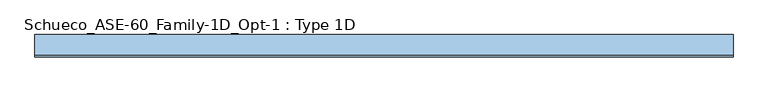
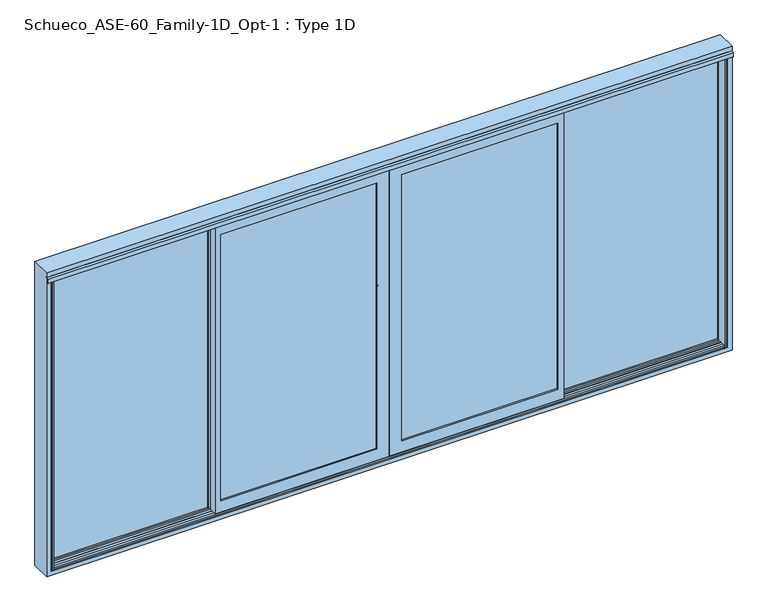
"""IFC4 building model written with IfcOpenShell, lengths in millimetres: window geometry, Schueco_ASE-60_Family-1D_Opt-1 : Type 1D."""

from ifc_helpers import new_model, si_unit, point, frame, frame_2d, origin, place, context, project, spatial, polyline, circle_curve, trimmed, segment, composite_curve, outline, extrude, faceted_brep, source, transform, mapped, element, save
from ifc_brep_helpers import plane_surface, cylinder_surface, revolved_surface, advanced_brep


def schueco_ase_60_family_1d_opt_1_type_1d_c7d129a0(model_context):
    return source(origin(), model_context, "Body", "SolidModel", [
        advanced_brep(
        [(-30.25, 41.999944, 999.005052), (-54.25, 41.999944, 999.005052), (-54.25, 41.999944, 1224.2360009), (-30.25, 41.999944, 1224.2360009), (-30.25, -6.000056, 999.005052), (-54.25, -6.000056, 999.005052), (-30.25, 29.999944, 999.005052), (-54.25, 29.999944, 999.005052), (-54.25, 29.999944, 1214.6494011), (-54.25, 22.649284, 1222.000061), (-54.25, 1.999944, 1222.000061), (-54.25, -5.6e-05, 1224.000061), (-54.25, -5.6e-05, 1235.000061), (-54.25, 1.999944, 1237.000061), (-54.25, 29.2358839, 1237.000061), (-54.25, 30.6500975, 1236.4142746), (-54.25, 41.4141576, 1225.6502145), (-30.25, 41.4141576, 1225.6502145), (-30.25, 30.6500975, 1236.4142746), (-30.25, 29.2358839, 1237.000061), (-30.25, 1.999944, 1237.000061), (-30.25, -5.6e-05, 1235.000061), (-30.25, -5.6e-05, 1224.000061), (-30.25, 1.999944, 1222.000061), (-30.25, 22.649284, 1222.000061), (-30.25, 29.999944, 1214.6494011)],
        [
            (0, 1, circle_curve(frame((-42.25, 41.999944, 999.005052), z_axis=(0.0, 1.0, 0.0), x_axis=(-1.0000000000000009, 0.0, 0.0)), 12.0)),
            (1, 2),
            (2, 3),
            (3, 0),
            (4, 5, circle_curve(frame((-42.25, -6.000056, 999.005052), z_axis=(0.0, -1.0, 0.0), x_axis=(-1.0000000000000009, 0.0, 0.0)), 12.0)),
            (5, 4, circle_curve(frame((-42.25, -6.000056, 999.005052), z_axis=(0.0, -1.0, 0.0), x_axis=(-1.0000000000000009, 0.0, 0.0)), 12.0)),
            (0, 6),
            (6, 4),
            (5, 7),
            (7, 1),
            (6, 7, circle_curve(frame((-42.25, 29.999944, 999.005052), z_axis=(0.0, -1.0, 0.0), x_axis=(-1.0000000000000009, 0.0, 0.0)), 12.0)),
            (7, 8),
            (8, 9, circle_curve(frame((-54.25, 22.649284, 1214.6494011), z_axis=(1.0, 0.0, 0.0), x_axis=(0.0, 0.0, -1.0)), 7.35066)),
            (9, 10),
            (10, 11, circle_curve(frame((-54.25, 1.999944, 1224.000061), z_axis=(-1.0, 0.0, 0.0), x_axis=(0.0, 0.0, -1.0)), 2.0)),
            (11, 12),
            (12, 13, circle_curve(frame((-54.25, 1.999944, 1235.000061), z_axis=(-1.0, 0.0, 0.0), x_axis=(0.0, 0.0, -1.0)), 2.0)),
            (13, 14),
            (14, 15, circle_curve(frame((-54.25, 29.2358839, 1235.000061), z_axis=(-1.0, 0.0, 0.0), x_axis=(0.0, 0.0, -1.0)), 2.0)),
            (15, 16),
            (16, 2, circle_curve(frame((-54.25, 39.999944, 1224.2360009), z_axis=(-1.0, 0.0, 0.0), x_axis=(0.0, 0.0, -1.0)), 2.0)),
            (3, 17, circle_curve(frame((-30.25, 39.999944, 1224.2360009), z_axis=(1.0, 0.0, 0.0), x_axis=(0.0, 0.0, -1.0)), 2.0)),
            (17, 18),
            (18, 19, circle_curve(frame((-30.25, 29.2358839, 1235.000061), z_axis=(1.0, 0.0, 0.0), x_axis=(0.0, 0.0, -1.0)), 2.0)),
            (19, 20),
            (20, 21, circle_curve(frame((-30.25, 1.999944, 1235.000061), z_axis=(1.0, 0.0, 0.0), x_axis=(0.0, 0.0, -1.0)), 2.0)),
            (21, 22),
            (22, 23, circle_curve(frame((-30.25, 1.999944, 1224.000061), z_axis=(1.0, 0.0, 0.0), x_axis=(0.0, 0.0, -1.0)), 2.0)),
            (23, 24),
            (24, 25, circle_curve(frame((-30.25, 22.649284, 1214.6494011), z_axis=(-1.0, 0.0, 0.0), x_axis=(0.0, 0.0, -1.0)), 7.35066)),
            (25, 6),
            (25, 8),
            (24, 9),
            (23, 10),
            (22, 11),
            (21, 12),
            (20, 13),
            (19, 14),
            (18, 15),
            (17, 16),
        ],
        [
            plane_surface(frame((-54.25, 41.999944, 999.005052), z_axis=(0.0, 1.0, 0.0), x_axis=(0.0, 0.0, 1.0))),
            plane_surface(frame((-54.25, -6.000056, 999.005052), z_axis=(0.0, -1.0, 0.0), x_axis=(0.0, 0.0, -1.0))),
            cylinder_surface(frame((-42.25, -6.000056, 999.005052), z_axis=(0.0, 1.0000000000000009, 0.0), x_axis=(-1.0000000000000009, 0.0, 0.0)), 12.0),
            plane_surface(frame((-54.25, 41.999944, 1004.7503433), z_axis=(-1.0, 0.0, 0.0), x_axis=(0.0, 0.0, -1.0))),
            plane_surface(frame((-30.25, 41.999944, 1004.7503433), z_axis=(1.0, 0.0, 0.0), x_axis=(0.0, 0.0, 1.0))),
            plane_surface(frame((-54.25, 29.999944, 999.0), z_axis=(0.0, -1.0, 0.0), x_axis=(1.0, 0.0, 0.0))),
            revolved_surface(polyline([(-30.25, 22.649284, 1207.2987411), (-54.25000000000004, 22.649284, 1207.2987411)]), (-30.25, 22.649284, 1214.6494011), (1.0000000000000009, 0.0, 0.0)),
            plane_surface(frame((-54.25, 22.649284, 1222.000061), z_axis=(0.0, 0.0, -1.0), x_axis=(1.0, 0.0, 0.0))),
            cylinder_surface(frame((-30.25, 1.999944, 1224.000061), z_axis=(-1.0000000000000009, 0.0, 0.0), x_axis=(0.0, 0.0, -1.0)), 2.0),
            plane_surface(frame((-54.25, -5.6e-05, 1224.000061), z_axis=(0.0, -1.0, 0.0), x_axis=(1.0, 0.0, 0.0))),
            cylinder_surface(frame((-30.25, 1.999944, 1235.000061), z_axis=(-1.0000000000000009, 0.0, 0.0), x_axis=(0.0, 0.0, -1.0)), 2.0),
            plane_surface(frame((-54.25, 1.999944, 1237.000061), z_axis=(0.0, 0.0, 1.0), x_axis=(1.0, 0.0, 0.0))),
            cylinder_surface(frame((-30.25, 29.2358839, 1235.000061), z_axis=(-1.0000000000000009, 0.0, 0.0), x_axis=(0.0, 0.0, -1.0)), 2.0),
            plane_surface(frame((-54.25, 30.6500975, 1236.4142746), z_axis=(0.0, 0.7071067811865419, 0.7071067811865531), x_axis=(1.0, 0.0, 0.0))),
            cylinder_surface(frame((-30.25, 39.999944, 1224.2360009), z_axis=(-1.0000000000000009, 0.0, 0.0), x_axis=(0.0, 0.0, -1.0)), 2.0),
        ],
        [
            (0, [[1, 2, 3, 4]]),
            (1, [[5, 6]]),
            (2, [[-1, 7, 8, -6, 9, 10]]),
            (2, [[-5, -8, 11, -9]]),
            (3, [[-2, -10, 12, 13, 14, 15, 16, 17, 18, 19, 20, 21]]),
            (4, [[22, 23, 24, 25, 26, 27, 28, 29, 30, 31, -7, -4]]),
            (5, [[-12, -11, -31, 32]]),
            (6, [[-13, -32, -30, 33]]),
            (7, [[-14, -33, -29, 34]]),
            (8, [[-15, -34, -28, 35]]),
            (9, [[-16, -35, -27, 36]]),
            (10, [[-17, -36, -26, 37]]),
            (11, [[-18, -37, -25, 38]]),
            (12, [[-19, -38, -24, 39]]),
            (13, [[-20, -39, -23, 40]]),
            (14, [[-21, -40, -22, -3]]),
        ],
    ),
        extrude(outline(composite_curve([segment(polyline([(917.2823932, -25.5), (1044.0099288, -25.5)]), True, "CONTINUOUS"), segment(trimmed(circle_curve(frame_2d((1044.0099288, -42.25)), 16.75), [point((1044.0099288, -25.5))], [point((1044.0099288, -59.0))], False, "CARTESIAN"), True, "CONTINUOUS"), segment(polyline([(1044.0099288, -59.0), (917.2823932, -59.0)]), True, "CONTINUOUS"), segment(trimmed(circle_curve(frame_2d((917.2823932, -42.25)), 16.75), [point((917.2823932, -59.0))], [point((917.2823932, -25.5))], False, "CARTESIAN"), True, "CONTINUOUS")], self_intersect=False)), frame((0.0, -20.0000255, 0.0), z_axis=(0.0, 1.0, 0.0), x_axis=(0.0, 0.0, 1.0)), (0.0, 0.0, 1.0), 13.9999695),
        extrude(outline(polyline([(-1195.0, -20.0000255), (-1215.0, -20.0000255), (-1215.0, -4.0000255), (-1195.0, -4.0000255), (-1195.0, -20.0000255)])), frame((0.0, 0.0, 4.0), z_axis=(0.0, 0.0, 1.0), x_axis=(1.0, 0.0, 0.0)), (0.0, 0.0, 1.0), 2127.0),
        faceted_brep([(-86.0, -80.0, 86.0), (-86.0, -68.9999911, 86.0), (-1175.0, -68.9999911, 86.0), (-1175.0, -80.0, 86.0), (-1197.0, -68.9999911, 64.0), (-64.0, -68.9999911, 64.0), (-64.0, -20.0000255, 64.0), (-1197.0, -20.0000255, 64.0), (-3.9982816, -80.0, 4.0), (-1215.0, -80.0, 4.0), (-1215.0, -20.0000255, 4.0), (-4.0, -20.0000255, 4.0), (-4.0, -25.5000255, 4.0), (-1197.0, -25.5000255, 4.0), (-1197.0, -68.9999911, 4.0), (-1175.0, -68.9999911, 4.0), (-1175.0, -74.5000332, 4.0), (-3.9982816, -74.5000332, 4.0), (-34.0, -25.5000255, 34.0), (-34.0, -74.5000332, 34.0), (-1175.0, -74.5000332, 34.0), (-1175.0, -68.9999911, 34.0), (-1197.0, -68.9999911, 34.0), (-1197.0, -25.5000255, 34.0), (-86.0, -80.0, 2049.0), (-86.0, -68.9999911, 2049.0), (-64.0, -68.9999911, 2071.0), (-64.0, -20.0000255, 2071.0), (-4.0, -20.0000255, 2131.0), (-4.0, -25.5000255, 2131.0), (-34.0, -25.5000255, 2101.0), (-34.0, -74.5000332, 2101.0), (-3.9982816, -74.5000332, 2131.0017184), (-3.9982816, -80.0, 2131.0017184), (-1175.0, -80.0, 2049.0), (-1175.0, -68.9999911, 2049.0), (-1197.0, -68.9999911, 2071.0), (-1197.0, -20.0000255, 2071.0), (-1215.0, -20.0000255, 2131.0), (-1215.0, -80.0, 2131.0), (-1175.0, -74.5000332, 2131.0), (-1175.0, -68.9999911, 2131.0), (-1197.0, -68.9999911, 2131.0), (-1197.0, -25.5000255, 2131.0), (-1197.0, -25.5000255, 2101.0), (-1197.0, -68.9999911, 2101.0), (-1175.0, -68.9999911, 2101.0), (-1175.0, -74.5000332, 2101.0)], [[[0, 1, 2, 3]], [[4, 5, 6, 7]], [[8, 9, 10, 11, 12, 13, 14, 15, 16, 17]], [[18, 19, 20, 21, 22, 23]], [[24, 25, 1, 0]], [[26, 27, 6, 5]], [[28, 29, 12, 11]], [[30, 31, 19, 18]], [[32, 33, 8, 17]], [[25, 24, 34, 35]], [[27, 26, 36, 37]], [[38, 39, 33, 32, 40, 41, 42, 43, 29, 28]], [[31, 30, 44, 45, 46, 47]], [[39, 38, 10, 9]], [[10, 38, 28, 11], [27, 37, 7, 6]], [[33, 39, 9, 8], [0, 3, 34, 24]], [[16, 15, 21, 20]], [[41, 40, 47, 46]], [[34, 3, 2, 35]], [[15, 14, 22, 21]], [[26, 5, 4, 36], [1, 25, 35, 2]], [[42, 41, 46, 45]], [[14, 13, 23, 22]], [[43, 42, 45, 44]], [[36, 4, 7, 37]], [[12, 29, 43, 44, 30, 18, 23, 13]], [[19, 31, 47, 40, 32, 17, 16, 20]]]),
        extrude(outline(polyline([(64.0, -1197.0), (64.0, -64.0), (2071.0, -64.0), (2071.0, -1197.0), (64.0, -1197.0)]), holes=[polyline([(86.012649, -1174.987351), (2048.987351, -1174.987351), (2048.987351, -86.012649), (86.012649, -86.012649), (86.012649, -1174.987351)])]), frame((0.0, -42.9999911, 0.0), z_axis=(0.0, 1.0, 0.0), x_axis=(0.0, 0.0, 1.0)), (0.0, 0.0, 1.0), 22.9999656),
        extrude(outline(polyline([(-64.0, -68.9999911), (-1197.0, -68.9999911), (-1197.0, -42.9999911), (-64.0, -42.9999911), (-64.0, -68.9999911)])), frame((0.0, 0.0, 64.0), z_axis=(0.0, 0.0, 1.0), x_axis=(1.0, 0.0, 0.0)), (0.0, 0.0, 1.0), 2007.0),
        extrude(outline(polyline([(1195.0, -20.0000255), (1195.0, -4.0000255), (1215.0, -4.0000255), (1215.0, -20.0000255), (1195.0, -20.0000255)])), frame((0.0, 0.0, 4.0), z_axis=(0.0, 0.0, 1.0), x_axis=(1.0, 0.0, 0.0)), (0.0, 0.0, 1.0), 2127.0),
        faceted_brep([(86.0, -80.0, 86.0), (1175.0, -80.0, 86.0), (1175.0, -68.9999911, 86.0), (86.0, -68.9999911, 86.0), (1197.0, -68.9999911, 64.0), (1197.0, -20.0000255, 64.0), (64.0, -20.0000255, 64.0), (64.0, -68.9999911, 64.0), (3.9982816, -80.0, 4.0), (3.9982816, -74.5000332, 4.0), (1175.0, -74.5000332, 4.0), (1175.0, -68.9999911, 4.0), (1197.0, -68.9999911, 4.0), (1197.0, -25.5000255, 4.0), (4.0, -25.5000255, 4.0), (4.0, -20.0000255, 4.0), (1215.0, -20.0000255, 4.0), (1215.0, -80.0, 4.0), (34.0, -25.5000255, 34.0), (1197.0, -25.5000255, 34.0), (1197.0, -68.9999911, 34.0), (1175.0, -68.9999911, 34.0), (1175.0, -74.5000332, 34.0), (34.0, -74.5000332, 34.0), (86.0, -80.0, 2049.0), (86.0, -68.9999911, 2049.0), (64.0, -68.9999911, 2071.0), (64.0, -20.0000255, 2071.0), (4.0, -20.0000255, 2131.0), (4.0, -25.5000255, 2131.0), (34.0, -25.5000255, 2101.0), (34.0, -74.5000332, 2101.0), (3.9982816, -74.5000332, 2131.0017184), (3.9982816, -80.0, 2131.0017184), (1175.0, -68.9999911, 2049.0), (1175.0, -80.0, 2049.0), (1197.0, -20.0000255, 2071.0), (1197.0, -68.9999911, 2071.0), (1215.0, -20.0000255, 2131.0), (1197.0, -25.5000255, 2131.0), (1197.0, -68.9999911, 2131.0), (1175.0, -68.9999911, 2131.0), (1175.0, -74.5000332, 2131.0), (1215.0, -80.0, 2131.0), (1175.0, -74.5000332, 2101.0), (1175.0, -68.9999911, 2101.0), (1197.0, -68.9999911, 2101.0), (1197.0, -25.5000255, 2101.0)], [[[0, 1, 2, 3]], [[4, 5, 6, 7]], [[8, 9, 10, 11, 12, 13, 14, 15, 16, 17]], [[18, 19, 20, 21, 22, 23]], [[24, 0, 3, 25]], [[26, 7, 6, 27]], [[28, 15, 14, 29]], [[30, 18, 23, 31]], [[32, 9, 8, 33]], [[25, 34, 35, 24]], [[27, 36, 37, 26]], [[38, 28, 29, 39, 40, 41, 42, 32, 33, 43]], [[31, 44, 45, 46, 47, 30]], [[43, 17, 16, 38]], [[16, 15, 28, 38], [27, 6, 5, 36]], [[33, 8, 17, 43], [0, 24, 35, 1]], [[35, 34, 2, 1]], [[41, 45, 44, 42]], [[10, 22, 21, 11]], [[26, 37, 4, 7], [3, 2, 34, 25]], [[11, 21, 20, 12]], [[40, 46, 45, 41]], [[37, 36, 5, 4]], [[12, 20, 19, 13]], [[39, 47, 46, 40]], [[14, 13, 19, 18, 30, 47, 39, 29]], [[23, 22, 10, 9, 32, 42, 44, 31]]]),
        extrude(outline(polyline([(-12.2016228, -25.5000255), (34.0, -25.5000255), (34.0, -74.5), (-12.2016228, -74.5), (-12.2016228, -25.5000255)])), frame((0.0, 0.0, 34.0), z_axis=(0.0, 0.0, 1.0), x_axis=(1.0, 0.0, 0.0)), (0.0, 0.0, 1.0), 2067.0),
        extrude(outline(polyline([(64.0, 1197.0), (2071.0, 1197.0), (2071.0, 64.0), (64.0, 64.0), (64.0, 1197.0)]), holes=[polyline([(86.012649, 1174.987351), (86.012649, 86.012649), (2048.987351, 86.012649), (2048.987351, 1174.987351), (86.012649, 1174.987351)])]), frame((0.0, -42.9999911, 0.0), z_axis=(0.0, 1.0, 0.0), x_axis=(0.0, 0.0, 1.0)), (0.0, 0.0, 1.0), 22.9999656),
        extrude(outline(polyline([(64.0, -68.9999911), (64.0, -42.9999911), (1197.0, -42.9999911), (1197.0, -68.9999911), (64.0, -68.9999911)])), frame((0.0, 0.0, 64.0), z_axis=(0.0, 0.0, 1.0), x_axis=(1.0, 0.0, 0.0)), (0.0, 0.0, 1.0), 2007.0),
        extrude(outline(polyline([(1191.0000305, 10.9998071), (1191.0000305, 36.9998071), (2364.0, 36.9998071), (2364.0, 10.9998071), (1191.0000305, 10.9998071)])), frame((0.0, 0.0, -25.0), z_axis=(0.0, 0.0, 1.0), x_axis=(1.0, 0.0, 0.0)), (0.0, 0.0, 1.0), 2189.0),
        extrude(outline(polyline([(2164.0, 2364.0), (2164.0, 1191.0000305), (-25.0, 1191.0000305), (-25.0, 2364.0), (2164.0, 2364.0)]), holes=[polyline([(2141.9998171, 1213.0002134), (2141.9998171, 2341.9998171), (-2.9998171, 2341.9998171), (-2.9998171, 1213.0002134), (2141.9998171, 1213.0002134)])]), frame((0.0, 36.9998071, 0.0), z_axis=(0.0, 1.0, 0.0), x_axis=(0.0, 0.0, 1.0)), (0.0, 0.0, 1.0), 23.0001929),
        extrude(outline(polyline([(-2364.0, 10.9998071), (-2364.0, 36.9998071), (-1191.0000305, 36.9998071), (-1191.0000305, 10.9998071), (-2364.0, 10.9998071)])), frame((0.0, 0.0, -25.0), z_axis=(0.0, 0.0, 1.0), x_axis=(1.0, 0.0, 0.0)), (0.0, 0.0, 1.0), 2189.0),
        extrude(outline(polyline([(2164.0, -1191.0000305), (2164.0, -2364.0), (-25.0, -2364.0), (-25.0, -1191.0000305), (2164.0, -1191.0000305)]), holes=[polyline([(2141.9998171, -2341.9998171), (2141.9998171, -1213.0002134), (-2.9998171, -1213.0002134), (-2.9998171, -2341.9998171), (2141.9998171, -2341.9998171)])]), frame((0.0, 36.9998071, 0.0), z_axis=(0.0, 1.0, 0.0), x_axis=(0.0, 0.0, 1.0)), (0.0, 0.0, 1.0), 23.0001929),
        extrude(outline(polyline([(-2339.0, -5.0), (-2339.0, -80.0), (-2350.0, -80.0), (-2350.0, -71.2), (-2342.0, -68.2882381), (-2342.0, -9.0), (-2358.0007202, -9.0), (-2358.0007202, -5.0), (-2339.0, -5.0)])), frame((0.0, 0.0, -19.0), z_axis=(0.0, 0.0, 1.0), x_axis=(1.0, 0.0, 0.0)), (0.0, 0.0, 1.0), 2176.5),
        extrude(outline(polyline([(2339.0, -5.0), (2358.0007202, -5.0), (2358.0007202, -9.0), (2342.0, -9.0), (2342.0, -68.2882381), (2350.0, -71.2), (2350.0, -80.0), (2339.0, -80.0), (2339.0, -5.0)])), frame((0.0, 0.0, -19.0), z_axis=(0.0, 0.0, 1.0), x_axis=(1.0, 0.0, 0.0)), (0.0, 0.0, 1.0), 2176.5),
        faceted_brep([(2390.0, -80.0, -51.0), (-2390.0, -80.0, -51.0), (-2390.0, 60.0, -51.0), (2390.0, 60.0, -51.0), (2390.0, -80.0, 2190.0), (2390.0, 60.0, 2190.0), (-2390.0, 60.0, 2190.0), (2364.0, 60.0, 2164.0), (1191.0000305, 60.0, 2164.0), (1191.0000305, 60.0, -25.0), (2364.0, 60.0, -25.0), (-2364.0, 60.0, -25.0), (-1191.0000305, 60.0, -25.0), (-1191.0000305, 60.0, 2164.0), (-2364.0, 60.0, 2164.0), (-1175.0, 60.0, 2164.0), (-1175.0, 60.0, -25.0), (1175.0, 60.0, -25.0), (1175.0, 60.0, 2164.0), (-2390.0, -80.0, 2190.0), (2342.0, 0.0, -3.0), (2342.0, 0.0, 2142.0), (2342.0, 10.9998071, 2142.0), (2342.0, 10.9998071, -3.0), (-2364.0, 10.9998071, 2164.0), (-2364.0, 10.9998071, -25.0), (2364.0, 10.9998071, -25.0), (2364.0, 10.9998071, 2164.0), (1191.0000305, 10.9998071, -25.0), (-1191.0000305, 10.9998071, -25.0), (-1175.0, 10.9998071, -25.0), (1175.0, 10.9998071, -25.0), (-1175.0, 0.0, -25.0), (1175.0, 0.0, -25.0), (1175.0, 0.0, -3.0), (-1175.0, 0.0, -3.0), (2358.0007202, 0.0, 2155.2007202), (1195.0, 0.0, 2155.2007202), (1195.0, 0.0, -25.0), (2358.0007202, 0.0, -25.0), (1215.0, 0.0, -3.0), (1215.0, 0.0, 2142.0), (-2358.0007202, 0.0, -25.0), (-1195.0, 0.0, -25.0), (-1195.0, 0.0, 2155.2007202), (-2358.0007202, 0.0, 2155.2007202), (-2342.0, 0.0, 2142.0), (-1215.0, 0.0, 2142.0), (-1215.0, 0.0, -3.0), (-2342.0, 0.0, -3.0), (-1175.0, 0.0, 2142.0), (1175.0, 0.0, 2142.0), (1175.0, 0.0, 2155.2007202), (-1175.0, 0.0, 2155.2007202), (2358.0007202, -28.7999745, -25.0), (2358.0007202, -28.7999745, 2155.2007202), (-2358.0007202, -28.7999745, 2155.2007202), (-2358.0007202, -28.7999745, -25.0), (2350.0007202, -28.7999745, -11.0007902), (2350.0007202, -28.7999745, 2155.2007202), (-2350.0007202, -28.7999745, 2155.2007202), (-2350.0007202, -28.7999745, -11.0007902), (-2341.9999304, -31.7120239, -3.0000004), (2342.0, -31.712021, -3.0000082), (-2341.9999989, -31.7119989, 2155.2007202), (-2341.9999981, -31.7119992, 2130.9119992), (-2346.7036773, -30.0, 2129.2), (-2346.7036773, -30.0, 2122.0), (-2341.9999979, -31.7119993, 2122.0), (2342.0, -31.7119985, 2122.0), (2346.7036773, -30.0, 2122.0), (2346.7036773, -30.0, 2129.2), (2342.0, -31.7119985, 2130.9119985), (2342.0, -31.7119985, 2155.2007202), (2342.0, -68.2882381, -3.0), (2342.0, -68.2882381, 2122.0), (2342.0, -35.8, 2135.0), (2342.0, -35.8, 2155.2007202), (2342.0, -68.2882381, 2142.0), (2342.0, -64.2, 2142.0), (2342.0, -64.2, 2135.0), (2342.0, -68.2882381, 2130.9117619), (-2342.0, -68.2882381, -3.0), (2350.0, -71.2, -11.0), (2350.0, -71.2, 2150.0), (2346.7030271, -70.0, 2129.2), (2346.7030271, -70.0, 2122.0), (-2350.0, -71.2, -11.0), (2358.0, -71.2, -19.0), (2358.0, -71.2, 2157.5), (-2358.0, -71.2, 2157.5), (-2358.0, -71.2, -19.0), (-2350.0, -71.2, 2150.0), (-2342.0, -68.2882381, 2122.0), (-2346.7030271, -70.0, 2122.0), (-2346.7030271, -70.0, 2129.2), (-2342.0, -68.2882381, 2130.9117619), (-2342.0, -68.2882381, 2142.0), (-2358.0, -80.0, -19.0), (2358.0, -80.0, -19.0), (-2358.0, -80.0, 2157.5), (2358.0, -80.0, 2157.5), (-2342.0, -35.8, 2155.2007202), (-2342.0, -35.8, 2135.0), (-2342.0, -64.2, 2135.0), (-2342.0, -64.2, 2142.0), (-2342.0, 10.9998071, -3.0), (-2342.0, 10.9998071, 2142.0), (1191.0000305, 10.9998071, 2164.0), (1215.0, 10.9998071, 2142.0), (1215.0, 10.9998071, -3.0), (-1191.0000305, 10.9998071, 2164.0), (-1215.0, 10.9998071, -3.0), (-1215.0, 10.9998071, 2142.0), (-1175.0, 10.9998071, 2164.0), (1175.0, 10.9998071, 2164.0), (1175.0, 10.9998071, 2142.0), (-1175.0, 10.9998071, 2142.0), (-1175.0, 10.9998071, -3.0), (1175.0, 10.9998071, -3.0), (-1195.0, -16.0, 2155.2007202), (-1175.0, -16.0, 2155.2007202), (1175.0, -16.0, 2155.2007202), (1195.0, -16.0, 2155.2007202), (1175.0, -16.0, -25.0), (-1175.0, -16.0, -25.0), (1195.0, -16.0, -25.0), (-1195.0, -16.0, -25.0)], [[[0, 1, 2, 3]], [[4, 0, 3, 5]], [[6, 5, 3, 2], [7, 8, 9, 10], [11, 12, 13, 14], [15, 16, 17, 18]], [[1, 19, 6, 2]], [[20, 21, 22, 23]], [[11, 14, 24, 25]], [[26, 27, 7, 10]], [[10, 9, 28, 26]], [[25, 29, 12, 11]], [[30, 31, 17, 16]], [[32, 33, 34, 35]], [[36, 37, 38, 39], [20, 40, 41, 21]], [[42, 43, 44, 45], [46, 47, 48, 49]], [[50, 51, 52, 53]], [[54, 55, 36, 39]], [[42, 45, 56, 57]], [[58, 59, 55, 54, 57, 56, 60, 61]], [[58, 61, 62, 63]], [[61, 60, 64, 65, 66, 67, 68, 62]], [[63, 69, 70, 71, 72, 73, 59, 58]], [[74, 75, 69, 63]], [[72, 76, 77, 73]], [[78, 79, 80, 81]], [[63, 62, 82, 74]], [[83, 84, 78, 81, 85, 86, 75, 74]], [[74, 82, 87, 83]], [[88, 89, 90, 91], [87, 92, 84, 83]], [[82, 93, 94, 95, 96, 97, 92, 87]], [[88, 91, 98, 99]], [[91, 90, 100, 98]], [[99, 101, 89, 88]], [[62, 68, 93, 82]], [[64, 102, 103, 65]], [[96, 104, 105, 97]], [[106, 107, 46, 49]], [[26, 28, 108, 27], [22, 109, 110, 23]], [[24, 111, 29, 25], [106, 112, 113, 107]], [[114, 115, 116, 117]], [[118, 119, 31, 30]], [[6, 19, 4, 5]], [[14, 13, 111, 24]], [[15, 18, 115, 114]], [[108, 8, 7, 27]], [[102, 64, 60, 56, 45, 44, 120, 121, 53, 52, 122, 123, 37, 36, 55, 59, 73, 77]], [[66, 65, 103, 76, 72, 71]], [[67, 66, 71, 70]], [[94, 93, 68, 67, 70, 69, 75, 86]], [[103, 102, 77, 76]], [[104, 96, 95, 85, 81, 80]], [[105, 104, 80, 79]], [[97, 105, 79, 78]], [[95, 94, 86, 85]], [[92, 97, 78, 84]], [[100, 90, 89, 101]], [[0, 4, 19, 1], [98, 100, 101, 99]], [[8, 108, 28, 9]], [[12, 29, 111, 13]], [[17, 31, 119, 34, 33, 124, 122, 52, 51, 116, 115, 18]], [[15, 114, 117, 50, 53, 121, 125, 32, 35, 118, 30, 16]], [[35, 34, 119, 118]], [[49, 48, 112, 106]], [[23, 110, 40, 20]], [[38, 126, 124, 33, 32, 125, 127, 43, 42, 57, 54, 39]], [[109, 41, 40, 110]], [[112, 48, 47, 113]], [[37, 123, 126, 38]], [[120, 44, 43, 127]], [[121, 120, 127, 125]], [[124, 126, 123, 122]], [[107, 113, 47, 46]], [[117, 116, 51, 50]], [[21, 41, 109, 22]]]),
        extrude(outline(polyline([(-71.2000255, 2150.5), (-88.5243789, 2150.5), (-91.0000233, 2149.0706861), (-91.0000233, 2121.5), (-92.6000233, 2121.5), (-92.6000233, 2150.225198), (-79.9996967, 2157.5), (-71.2000255, 2157.5), (-71.2000255, 2150.5)])), frame((-2390.0, 0.0, 0.0), z_axis=(1.0, 0.0, 0.0), x_axis=(0.0, 1.0, 0.0)), (0.0, 0.0, 1.0), 4780.0),
        extrude(outline(polyline([(-80.0, 0.0), (-61.9001183, 0.0), (-61.9001183, -3.0), (-68.2882381, -3.0), (-71.2, -11.0), (-80.0, -11.0), (-80.0, 0.0)])), frame((-2339.0, 0.0, 0.0), z_axis=(1.0, 0.0, 0.0), x_axis=(0.0, 1.0, 0.0)), (0.0, 0.0, 1.0), 4678.0),
        extrude(outline(polyline([(-38.1001183, 0.0), (-20.0000255, 0.0), (-20.0000255, -25.0), (-28.7999745, -25.0), (-28.7999745, -11.0007902), (-31.712024, -3.0), (-38.1001183, -3.0), (-38.1001183, 0.0)])), frame((-2339.0, 0.0, 0.0), z_axis=(1.0, 0.0, 0.0), x_axis=(0.0, 1.0, 0.0)), (0.0, 0.0, 1.0), 4678.0),
        extrude(outline(polyline([(-16.0, 0.0), (60.0, 0.0), (60.0, -25.0), (40.5987802, -25.0), (40.5987802, -3.0), (-7.2, -3.0), (-7.2, -11.0), (-16.0, -11.0), (-16.0, 0.0)])), frame((-1175.0, 0.0, 0.0), z_axis=(1.0, 0.0, 0.0), x_axis=(0.0, 1.0, 0.0)), (0.0, 0.0, 1.0), 2350.0),
        extrude(outline(polyline([(60.0, 2120.9), (-16.0, 2120.9), (-16.0, 2131.0), (0.0, 2131.0), (0.0, 2142.0), (10.9998071, 2142.0), (10.9998071, 2131.0), (40.6, 2131.0), (40.6, 2164.0), (60.0, 2164.0), (60.0, 2120.9)])), frame((-1175.0, 0.0, 0.0), z_axis=(1.0, 0.0, 0.0), x_axis=(0.0, 1.0, 0.0)), (0.0, 0.0, 1.0), 2350.0),
    ])


if __name__ == "__main__":
    model = new_model("IFC4")
    model_context = context("Model", 3, world=origin())
    ifc_project = project(units=[si_unit("LENGTHUNIT", "METRE", prefix="MILLI")], contexts=[model_context])
    site = spatial("IfcSite", under=ifc_project)
    building = spatial("IfcBuilding", under=site)
    placement = place(None, origin())
    schueco_ase_60_family_1d_opt_1_type_1d_shape = schueco_ase_60_family_1d_opt_1_type_1d_c7d129a0(model_context)
    element("IfcWindow", 1, ObjectType="Schueco_ASE-60_Family-1D_Opt-1 : Type 1D", at=placement, inside=building, context=model_context, shape_type="MappedRepresentation", body=[
        mapped(schueco_ase_60_family_1d_opt_1_type_1d_shape, transform((0.0, 0.0, 0.0), x_axis=(1.0, 0.0, 0.0), y_axis=(0.0, 1.0, 0.0), z_axis=(0.0, 0.0, 1.0))),
    ])
    save(model, "model.ifc")
